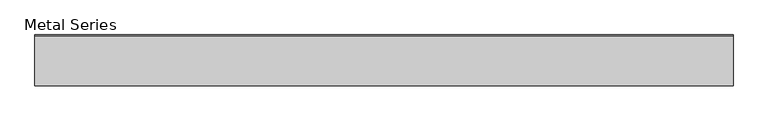
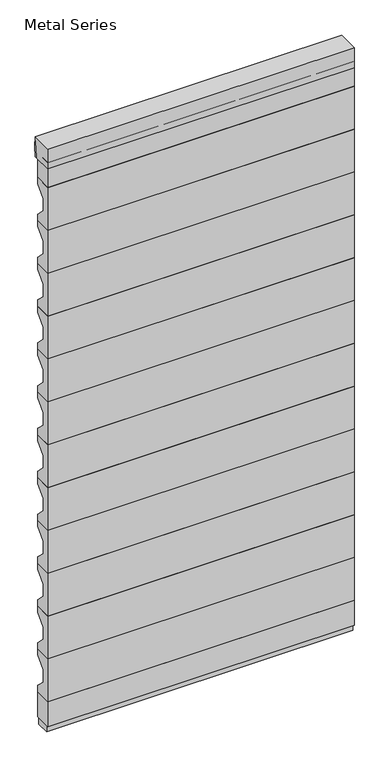
"""IFC4 building model written with IfcOpenShell, lengths in millimetres: plate geometry, Metal Series."""

from ifc_helpers import new_model, si_unit, point, frame, frame_2d, origin, place, context, project, spatial, polyline, circle_curve, trimmed, segment, composite_curve, outline, extrude, source, transform, mapped, element, save


def metal_series_b43b966a(model_context):
    return source(origin(), model_context, "Body", "SweptSolid", [
        extrude(outline(polyline([(33.3375, 2112.9625), (-33.3375, 2112.9625), (-33.3375, 2284.4125), (33.3375, 2284.4125), (33.3375, 2259.80625), (-4.7625, 2223.29375), (-4.7625, 2174.08125), (33.3375, 2137.56875), (33.3375, 2112.9625)])), frame((-579.6545762, 0.0, 0.0), z_axis=(1.0, 0.0, 0.0), x_axis=(0.0, 1.0, 0.0)), (0.0, 0.0, 1.0), 1159.3091524),
        extrude(outline(polyline([(33.3375, 1941.5125), (-33.3375, 1941.5125), (-33.3375, 2112.9625), (33.3375, 2112.9625), (33.3375, 2088.35625), (-4.7625, 2051.84375), (-4.7625, 2002.63125), (33.3375, 1966.11875), (33.3375, 1941.5125)])), frame((-579.6545762, 0.0, 0.0), z_axis=(1.0, 0.0, 0.0), x_axis=(0.0, 1.0, 0.0)), (0.0, 0.0, 1.0), 1159.3091524),
        extrude(outline(polyline([(33.3375, 1770.0625), (-33.3375, 1770.0625), (-33.3375, 1941.5125), (33.3375, 1941.5125), (33.3375, 1916.90625), (-4.7625, 1880.39375), (-4.7625, 1831.18125), (33.3375, 1794.66875), (33.3375, 1770.0625)])), frame((-579.6545762, 0.0, 0.0), z_axis=(1.0, 0.0, 0.0), x_axis=(0.0, 1.0, 0.0)), (0.0, 0.0, 1.0), 1159.3091524),
        extrude(outline(polyline([(33.3375, 1598.6125), (-33.3375, 1598.6125), (-33.3375, 1770.0625), (33.3375, 1770.0625), (33.3375, 1745.45625), (-4.7625, 1708.94375), (-4.7625, 1659.73125), (33.3375, 1623.21875), (33.3375, 1598.6125)])), frame((-579.6545762, 0.0, 0.0), z_axis=(1.0, 0.0, 0.0), x_axis=(0.0, 1.0, 0.0)), (0.0, 0.0, 1.0), 1159.3091524),
        extrude(outline(polyline([(33.3375, 1427.1625), (-33.3375, 1427.1625), (-33.3375, 1598.6125), (33.3375, 1598.6125), (33.3375, 1574.00625), (-4.7625, 1537.49375), (-4.7625, 1488.28125), (33.3375, 1451.76875), (33.3375, 1427.1625)])), frame((-579.6545762, 0.0, 0.0), z_axis=(1.0, 0.0, 0.0), x_axis=(0.0, 1.0, 0.0)), (0.0, 0.0, 1.0), 1159.3091524),
        extrude(outline(polyline([(33.3375, 1255.7125), (-33.3375, 1255.7125), (-33.3375, 1427.1625), (33.3375, 1427.1625), (33.3375, 1402.55625), (-4.7625, 1366.04375), (-4.7625, 1316.83125), (33.3375, 1280.31875), (33.3375, 1255.7125)])), frame((-579.6545762, 0.0, 0.0), z_axis=(1.0, 0.0, 0.0), x_axis=(0.0, 1.0, 0.0)), (0.0, 0.0, 1.0), 1159.3091524),
        extrude(outline(polyline([(33.3375, 1084.2625), (-33.3375, 1084.2625), (-33.3375, 1255.7125), (33.3375, 1255.7125), (33.3375, 1231.10625), (-4.7625, 1194.59375), (-4.7625, 1145.38125), (33.3375, 1108.86875), (33.3375, 1084.2625)])), frame((-579.6545762, 0.0, 0.0), z_axis=(1.0, 0.0, 0.0), x_axis=(0.0, 1.0, 0.0)), (0.0, 0.0, 1.0), 1159.3091524),
        extrude(outline(polyline([(33.3375, 912.8125), (-33.3375, 912.8125), (-33.3375, 1084.2625), (33.3375, 1084.2625), (33.3375, 1059.65625), (-4.7625, 1023.14375), (-4.7625, 973.93125), (33.3375, 937.41875), (33.3375, 912.8125)])), frame((-579.6545762, 0.0, 0.0), z_axis=(1.0, 0.0, 0.0), x_axis=(0.0, 1.0, 0.0)), (0.0, 0.0, 1.0), 1159.3091524),
        extrude(outline(polyline([(33.3375, 741.3625), (-33.3375, 741.3625), (-33.3375, 912.8125), (33.3375, 912.8125), (33.3375, 888.20625), (-4.7625, 851.69375), (-4.7625, 802.48125), (33.3375, 765.96875), (33.3375, 741.3625)])), frame((-579.6545762, 0.0, 0.0), z_axis=(1.0, 0.0, 0.0), x_axis=(0.0, 1.0, 0.0)), (0.0, 0.0, 1.0), 1159.3091524),
        extrude(outline(polyline([(33.3375, 569.9125), (-33.3375, 569.9125), (-33.3375, 741.3625), (33.3375, 741.3625), (33.3375, 716.75625), (-4.7625, 680.24375), (-4.7625, 631.03125), (33.3375, 594.51875), (33.3375, 569.9125)])), frame((-579.6545762, 0.0, 0.0), z_axis=(1.0, 0.0, 0.0), x_axis=(0.0, 1.0, 0.0)), (0.0, 0.0, 1.0), 1159.3091524),
        extrude(outline(polyline([(33.3375, 398.4625), (-33.3375, 398.4625), (-33.3375, 569.9125), (33.3375, 569.9125), (33.3375, 545.30625), (-4.7625, 508.79375), (-4.7625, 459.58125), (33.3375, 423.06875), (33.3375, 398.4625)])), frame((-579.6545762, 0.0, 0.0), z_axis=(1.0, 0.0, 0.0), x_axis=(0.0, 1.0, 0.0)), (0.0, 0.0, 1.0), 1159.3091524),
        extrude(outline(composite_curve([segment(polyline([(-33.3375, 2438.4), (48.41875, 2438.4), (48.41875, 2435.225)]), True, "CONTINUOUS"), segment(trimmed(circle_curve(frame_2d((372.2960463, 2356.0450255)), 333.4156137), [point((48.41875, 2435.225))], [point((38.89375, 2359.025))], True, "CARTESIAN"), True, "CONTINUOUS"), segment(polyline([(38.89375, 2359.025), (-33.3375, 2359.025), (-33.3375, 2438.4)]), True, "CONTINUOUS")], self_intersect=False)), frame((-579.6545762, 0.0, 0.0), z_axis=(1.0, 0.0, 0.0), x_axis=(0.0, 1.0, 0.0)), (0.0, 0.0, 1.0), 1159.3091524),
        extrude(outline(composite_curve([segment(polyline([(-33.3375, 2359.025), (-33.3375, 2438.4), (48.41875, 2438.4)]), True, "CONTINUOUS"), segment(trimmed(circle_curve(frame_2d((-263.8341329, 2398.7125)), 314.7649291), [point((48.41875, 2438.4))], [point((48.41875, 2359.025))], False, "CARTESIAN"), True, "CONTINUOUS"), segment(polyline([(48.41875, 2359.025), (-33.3375, 2359.025)]), True, "CONTINUOUS")], self_intersect=False)), frame((-579.6545762, 0.0, 0.0), z_axis=(1.0, 0.0, 0.0), x_axis=(0.0, 1.0, 0.0)), (0.0, 0.0, 1.0), 1159.3091524),
        extrude(outline(polyline([(33.3375, 227.0125), (-33.3375, 227.0125), (-33.3375, 398.4625), (33.3375, 398.4625), (33.3375, 373.85625), (-4.7625, 337.34375), (-4.7625, 288.13125), (33.3375, 251.61875), (33.3375, 227.0125)])), frame((-579.6545762, 0.0, 0.0), z_axis=(1.0, 0.0, 0.0), x_axis=(0.0, 1.0, 0.0)), (0.0, 0.0, 1.0), 1159.3091524),
        extrude(outline(polyline([(579.6545762, 33.3375), (579.6545762, -33.3375), (-579.6545762, -33.3375), (-579.6545762, 33.3375), (579.6545762, 33.3375)])), frame((0.0, 0.0, 127.0), z_axis=(0.0, 0.0, 1.0), x_axis=(1.0, 0.0, 0.0)), (0.0, 0.0, 1.0), 100.0125),
        extrude(outline(polyline([(579.6545762, 33.3375), (579.6545762, -33.3375), (-579.6545762, -33.3375), (-579.6545762, 33.3375), (579.6545762, 33.3375)])), frame((0.0, 0.0, 2284.4125), z_axis=(0.0, 0.0, 1.0), x_axis=(1.0, 0.0, 0.0)), (0.0, 0.0, 1.0), 100.0125),
        extrude(outline(polyline([(-579.6545762, -25.4), (-579.6545762, 25.4), (579.6545762, 25.4), (579.6545762, -25.4), (-579.6545762, -25.4)])), frame((0.0, 0.0, 101.6), z_axis=(0.0, 0.0, 1.0), x_axis=(1.0, 0.0, 0.0)), (0.0, 0.0, 1.0), 25.4),
    ])


if __name__ == "__main__":
    model = new_model("IFC4")
    model_context = context("Model", 3, world=origin())
    ifc_project = project(units=[si_unit("LENGTHUNIT", "METRE", prefix="MILLI")], contexts=[model_context])
    site = spatial("IfcSite", under=ifc_project)
    building = spatial("IfcBuilding", under=site)
    placement = place(None, origin())
    metal_series_shape = metal_series_b43b966a(model_context)
    element("IfcPlate", 1, ObjectType="Metal Series", at=placement, inside=building, context=model_context, shape_type="MappedRepresentation", body=[
        mapped(metal_series_shape, transform((0.0, 0.0, 0.0), x_axis=(1.0, 0.0, 0.0), y_axis=(0.0, 1.0, 0.0), z_axis=(0.0, 0.0, 1.0))),
    ])
    save(model, "model.ifc")
